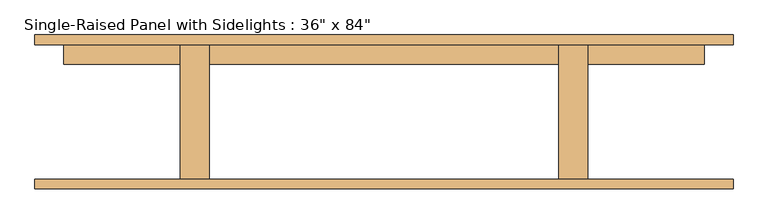
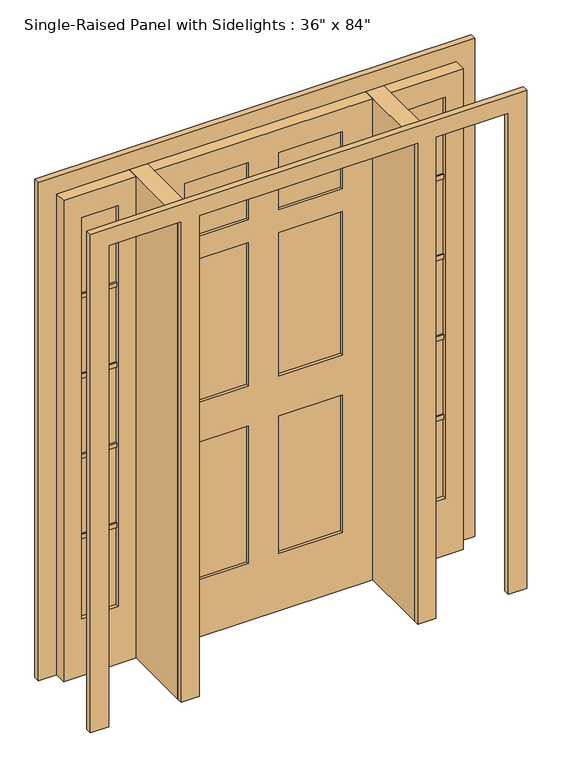
"""IFC4 building model written with IfcOpenShell, lengths in millimetres: door geometry."""

from ifc_helpers import new_model, si_unit, frame, origin, origin_with_axes, place, context, project, spatial, polyline, outline, extrude, source, transform, mapped, element, save


def door_ffdb1193(model_context):
    return source(origin(), model_context, "Body", "SweptSolid", [
        extrude(outline(polyline([(762.0, 134.9375), (609.6, 134.9375), (609.6, 166.6875), (762.0, 166.6875), (762.0, 134.9375)])), frame((0.0, 0.0, 600.075), z_axis=(0.0, 0.0, 1.0), x_axis=(1.0, 0.0, 0.0)), (0.0, 0.0, 1.0), 19.05),
        extrude(outline(polyline([(762.0, 134.9375), (609.6, 134.9375), (609.6, 166.6875), (762.0, 166.6875), (762.0, 134.9375)])), frame((0.0, 0.0, 955.675), z_axis=(0.0, 0.0, 1.0), x_axis=(1.0, 0.0, 0.0)), (0.0, 0.0, 1.0), 19.05),
        extrude(outline(polyline([(762.0, 134.9375), (609.6, 134.9375), (609.6, 166.6875), (762.0, 166.6875), (762.0, 134.9375)])), frame((0.0, 0.0, 1311.275), z_axis=(0.0, 0.0, 1.0), x_axis=(1.0, 0.0, 0.0)), (0.0, 0.0, 1.0), 19.05),
        extrude(outline(polyline([(762.0, 134.9375), (609.6, 134.9375), (609.6, 166.6875), (762.0, 166.6875), (762.0, 134.9375)])), frame((0.0, 0.0, 1666.875), z_axis=(0.0, 0.0, 1.0), x_axis=(1.0, 0.0, 0.0)), (0.0, 0.0, 1.0), 19.05),
        extrude(outline(polyline([(-609.6, 134.9375), (-762.0, 134.9375), (-762.0, 166.6875), (-609.6, 166.6875), (-609.6, 134.9375)])), frame((0.0, 0.0, 1666.875), z_axis=(0.0, 0.0, 1.0), x_axis=(1.0, 0.0, 0.0)), (0.0, 0.0, 1.0), 19.05),
        extrude(outline(polyline([(-609.6, 134.9375), (-762.0, 134.9375), (-762.0, 166.6875), (-609.6, 166.6875), (-609.6, 134.9375)])), frame((0.0, 0.0, 1311.275), z_axis=(0.0, 0.0, 1.0), x_axis=(1.0, 0.0, 0.0)), (0.0, 0.0, 1.0), 19.05),
        extrude(outline(polyline([(-609.6, 134.9375), (-762.0, 134.9375), (-762.0, 166.6875), (-609.6, 166.6875), (-609.6, 134.9375)])), frame((0.0, 0.0, 955.675), z_axis=(0.0, 0.0, 1.0), x_axis=(1.0, 0.0, 0.0)), (0.0, 0.0, 1.0), 19.05),
        extrude(outline(polyline([(-609.6, 134.9375), (-762.0, 134.9375), (-762.0, 166.6875), (-609.6, 166.6875), (-609.6, 134.9375)])), frame((0.0, 0.0, 600.075), z_axis=(0.0, 0.0, 1.0), x_axis=(1.0, 0.0, 0.0)), (0.0, 0.0, 1.0), 19.05),
        extrude(outline(polyline([(762.0, 141.2875), (609.6, 141.2875), (609.6, 160.3375), (762.0, 160.3375), (762.0, 141.2875)])), frame((0.0, 0.0, 254.0), z_axis=(0.0, 0.0, 1.0), x_axis=(1.0, 0.0, 0.0)), (0.0, 0.0, 1.0), 1778.0),
        extrude(outline(polyline([(-609.6, 141.2875), (-762.0, 141.2875), (-762.0, 160.3375), (-609.6, 160.3375), (-609.6, 141.2875)])), frame((0.0, 0.0, 254.0), z_axis=(0.0, 0.0, 1.0), x_axis=(1.0, 0.0, 0.0)), (0.0, 0.0, 1.0), 1778.0),
        extrude(outline(polyline([(-457.2, -176.2125), (-533.4, -176.2125), (-533.4, 176.2125), (-457.2, 176.2125), (-457.2, -176.2125)])), origin_with_axes(), (0.0, 0.0, 1.0), 2133.6),
        extrude(outline(polyline([(533.4, -176.2125), (457.2, -176.2125), (457.2, 176.2125), (533.4, 176.2125), (533.4, -176.2125)])), origin_with_axes(), (0.0, 0.0, 1.0), 2133.6),
        extrude(outline(polyline([(2133.6, -533.4), (2133.6, -838.2), (0.0, -838.2), (0.0, -533.4), (2133.6, -533.4)]), holes=[polyline([(2032.0, -609.6), (254.0, -609.6), (254.0, -762.0), (2032.0, -762.0), (2032.0, -609.6)])]), frame((0.0, 125.4125, 0.0), z_axis=(0.0, 1.0, 0.0), x_axis=(0.0, 0.0, 1.0)), (0.0, 0.0, 1.0), 50.8),
        extrude(outline(polyline([(0.0, 533.4), (0.0, 838.2), (2133.6, 838.2), (2133.6, 533.4), (0.0, 533.4)]), holes=[polyline([(2032.0, 762.0), (254.0, 762.0), (254.0, 609.6), (2032.0, 609.6), (2032.0, 762.0)])]), frame((0.0, 125.4125, 0.0), z_axis=(0.0, 1.0, 0.0), x_axis=(0.0, 0.0, 1.0)), (0.0, 0.0, 1.0), 50.8),
        extrude(outline(polyline([(0.0, -914.4), (0.0, -838.2), (2133.6, -838.2), (2133.6, -533.4), (0.0, -533.4), (0.0, -457.2), (2133.6, -457.2), (2133.6, 457.2), (0.0, 457.2), (0.0, 533.4), (2133.6, 533.4), (2133.6, 838.2), (0.0, 838.2), (0.0, 914.4), (2209.8, 914.4), (2209.8, -914.4), (0.0, -914.4)])), frame((0.0, -201.6125, 0.0), z_axis=(0.0, 1.0, 0.0), x_axis=(0.0, 0.0, 1.0)), (0.0, 0.0, 1.0), 25.4),
        extrude(outline(polyline([(0.0, 914.4), (2209.8, 914.4), (2209.8, -914.4), (0.0, -914.4), (0.0, -838.2), (2133.6, -838.2), (2133.6, -533.4), (0.0, -533.4), (0.0, -457.2), (2133.6, -457.2), (2133.6, 457.2), (0.0, 457.2), (0.0, 533.4), (2133.6, 533.4), (2133.6, 838.2), (0.0, 838.2), (0.0, 914.4)])), frame((0.0, 176.2125, 0.0), z_axis=(0.0, 1.0, 0.0), x_axis=(0.0, 0.0, 1.0)), (0.0, 0.0, 1.0), 25.4),
        extrude(outline(polyline([(-63.5, 138.1125), (-330.2, 138.1125), (-330.2, 163.5125), (-63.5, 163.5125), (-63.5, 138.1125)])), frame((0.0, 0.0, 1778.0), z_axis=(0.0, 0.0, 1.0), x_axis=(1.0, 0.0, 0.0)), (0.0, 0.0, 1.0), 254.0),
        extrude(outline(polyline([(330.2, 138.1125), (63.5, 138.1125), (63.5, 163.5125), (330.2, 163.5125), (330.2, 138.1125)])), frame((0.0, 0.0, 1778.0), z_axis=(0.0, 0.0, 1.0), x_axis=(1.0, 0.0, 0.0)), (0.0, 0.0, 1.0), 254.0),
        extrude(outline(polyline([(-63.5, 138.1125), (-330.2, 138.1125), (-330.2, 163.5125), (-63.5, 163.5125), (-63.5, 138.1125)])), frame((0.0, 0.0, 1041.4), z_axis=(0.0, 0.0, 1.0), x_axis=(1.0, 0.0, 0.0)), (0.0, 0.0, 1.0), 635.0),
        extrude(outline(polyline([(330.2, 138.1125), (63.5, 138.1125), (63.5, 163.5125), (330.2, 163.5125), (330.2, 138.1125)])), frame((0.0, 0.0, 1041.4), z_axis=(0.0, 0.0, 1.0), x_axis=(1.0, 0.0, 0.0)), (0.0, 0.0, 1.0), 635.0),
        extrude(outline(polyline([(-63.5, 138.1125), (-330.2, 138.1125), (-330.2, 163.5125), (-63.5, 163.5125), (-63.5, 138.1125)])), frame((0.0, 0.0, 254.0), z_axis=(0.0, 0.0, 1.0), x_axis=(1.0, 0.0, 0.0)), (0.0, 0.0, 1.0), 609.6),
        extrude(outline(polyline([(330.2, 138.1125), (63.5, 138.1125), (63.5, 163.5125), (330.2, 163.5125), (330.2, 138.1125)])), frame((0.0, 0.0, 254.0), z_axis=(0.0, 0.0, 1.0), x_axis=(1.0, 0.0, 0.0)), (0.0, 0.0, 1.0), 609.6),
        extrude(outline(polyline([(2133.6, 457.2), (2133.6, -457.2), (0.0, -457.2), (0.0, 457.2), (2133.6, 457.2)]), holes=[polyline([(2032.0, -63.5), (1778.0, -63.5), (1778.0, -330.2), (2032.0, -330.2), (2032.0, -63.5)]), polyline([(2032.0, 330.2), (1778.0, 330.2), (1778.0, 63.5), (2032.0, 63.5), (2032.0, 330.2)]), polyline([(1676.4, -63.5), (1041.4, -63.5), (1041.4, -330.2), (1676.4, -330.2), (1676.4, -63.5)]), polyline([(1676.4, 330.2), (1041.4, 330.2), (1041.4, 63.5), (1676.4, 63.5), (1676.4, 330.2)]), polyline([(863.6, -63.5), (254.0, -63.5), (254.0, -330.2), (863.6, -330.2), (863.6, -63.5)]), polyline([(863.6, 330.2), (254.0, 330.2), (254.0, 63.5), (863.6, 63.5), (863.6, 330.2)])]), frame((0.0, 125.4125, 0.0), z_axis=(0.0, 1.0, 0.0), x_axis=(0.0, 0.0, 1.0)), (0.0, 0.0, 1.0), 50.8),
    ])


if __name__ == "__main__":
    model = new_model("IFC4")
    model_context = context("Model", 3, world=origin())
    ifc_project = project(units=[si_unit("LENGTHUNIT", "METRE", prefix="MILLI")], contexts=[model_context])
    site = spatial("IfcSite", under=ifc_project)
    building = spatial("IfcBuilding", under=site)
    placement = place(None, origin())
    door_shape = door_ffdb1193(model_context)
    element("IfcDoor", 1, ObjectType="Single-Raised Panel with Sidelights : 36\" x 84\"", at=placement, inside=building, context=model_context, shape_type="MappedRepresentation", body=[
        mapped(door_shape, transform((0.0, 0.0, 0.0), x_axis=(1.0, 0.0, 0.0), y_axis=(0.0, 1.0, 0.0), z_axis=(0.0, 0.0, 1.0))),
    ])
    save(model, "model.ifc")
